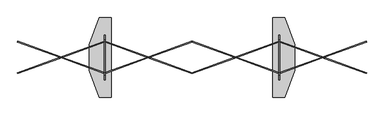
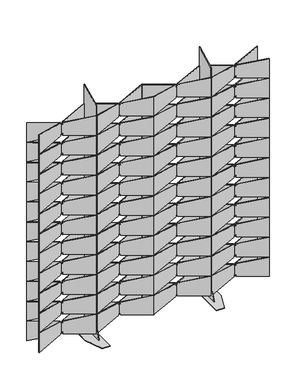
"""IFC4 building model written with IfcOpenShell, lengths in millimetres: furniture geometry."""

from ifc_helpers import new_model, si_unit, frame, origin, origin_with_axes, place, context, project, spatial, polyline, outline, extrude, source, transform, mapped, element, save


def furniture_b942ebe4(model_context):
    return source(origin(), model_context, "Body", "SweptSolid", [
        extrude(outline(polyline([(184.3490858, 1e-07), (0.0, 0.0), (14.9384088, 125.8588708), (194.1655312, 82.7053767), (192.9845263, 72.7551914), (205.5960997, 71.2583017), (206.7771046, 81.2084871), (391.1261904, 81.2084871), (376.1877815, -44.6503837), (196.9606592, -1.4968895), (198.1416469, 8.4531513), (185.5300735, 9.950041), (184.3490858, 1e-07)])), frame((1161.9514932, -12.5010841, 1465.1149512), z_axis=(0.34202014332567426, 0.9396926207859064, 0.0), x_axis=(0.933142677510892, -0.3396361589374431, -0.11786442614301997)), (0.0, 0.0, 1.0), 3.175),
        extrude(outline(polyline([(199.7593649, 129.8344653), (15.4102791, 129.8344652), (30.3486879, 255.693336), (209.5758102, 212.5398419), (208.3948054, 202.5896566), (221.0063788, 201.0927669), (222.1873837, 211.0429523), (406.5364694, 211.0429523), (391.5980606, 85.1840815), (212.3709383, 128.3375757), (213.551926, 138.2876165), (200.9403526, 139.7845062), (199.7593649, 129.8344653)])), frame((1161.9514932, -12.5010841, 1465.1149512), z_axis=(0.34202014332567426, 0.9396926207859064, 0.0), x_axis=(0.933142677510892, -0.3396361589374431, -0.11786442614301997)), (0.0, 0.0, 1.0), 3.175),
        extrude(outline(polyline([(215.1655077, 259.634082), (30.8164219, 259.634082), (45.7548307, 385.4929527), (224.9819531, 342.3394586), (223.8009482, 332.3892734), (236.4125216, 330.8923837), (237.5935265, 340.842569), (421.9426123, 340.842569), (407.0042034, 214.9836983), (227.7770811, 258.1371924), (228.9580688, 268.0872333), (216.3464954, 269.584123), (215.1655077, 259.634082)])), frame((1161.9514932, -12.5010841, 1465.1149512), z_axis=(0.34202014332567426, 0.9396926207859064, 0.0), x_axis=(0.933142677510892, -0.3396361589374431, -0.11786442614301997)), (0.0, 0.0, 1.0), 3.175),
        extrude(outline(polyline([(230.5739019, 389.4526666), (46.2248161, 389.4526666), (61.1632249, 515.3115373), (240.3903472, 472.1580432), (239.2093424, 462.2078579), (251.8209158, 460.7109683), (253.0019207, 470.6611536), (437.3510064, 470.6611535), (422.4125976, 344.8022828), (243.1854753, 387.9557769), (244.366463, 397.9058179), (231.7548896, 399.4027075), (230.5739019, 389.4526666)])), frame((1161.9514932, -12.5010841, 1465.1149512), z_axis=(0.34202014332567426, 0.9396926207859064, 0.0), x_axis=(0.933142677510892, -0.3396361589374431, -0.11786442614301997)), (0.0, 0.0, 1.0), 3.175),
        extrude(outline(polyline([(245.982296, 519.2712511), (61.6332102, 519.2712511), (76.5716191, 645.1301219), (255.7987414, 601.9766278), (254.6177365, 592.0264425), (267.22931, 590.5295529), (268.4103148, 600.4797381), (452.7594006, 600.4797381), (437.8209918, 474.6208674), (258.5938695, 517.7743615), (259.7748572, 527.7244025), (247.1632837, 529.2212921), (245.982296, 519.2712511)])), frame((1161.9514932, -12.5010841, 1465.1149512), z_axis=(0.34202014332567426, 0.9396926207859064, 0.0), x_axis=(0.933142677510892, -0.3396361589374431, -0.11786442614301997)), (0.0, 0.0, 1.0), 3.175),
        extrude(outline(polyline([(261.3906902, 649.0898357), (77.0416044, 649.0898357), (91.9800132, 774.9487064), (271.2071356, 731.7952123), (270.0261307, 721.8450271), (282.6377041, 720.3481374), (283.818709, 730.2983227), (468.1677948, 730.2983227), (453.2293859, 604.439452), (274.0022636, 647.5929461), (275.1832513, 657.542987), (262.5716779, 659.0398767), (261.3906902, 649.0898357)])), frame((1161.9514932, -12.5010841, 1465.1149512), z_axis=(0.34202014332567426, 0.9396926207859064, 0.0), x_axis=(0.933142677510892, -0.3396361589374431, -0.11786442614301997)), (0.0, 0.0, 1.0), 3.175),
        extrude(outline(polyline([(276.7990844, 778.9084203), (92.4499986, 778.9084203), (107.3884074, 904.767291), (286.6155297, 861.6137969), (285.4345249, 851.6636116), (298.0460983, 850.166722), (299.2271031, 860.1169073), (483.5761889, 860.1169073), (468.6377801, 734.2580365), (289.4106578, 777.4115306), (290.5916455, 787.3615716), (277.9800721, 788.8584612), (276.7990844, 778.9084203)])), frame((1161.9514932, -12.5010841, 1465.1149512), z_axis=(0.34202014332567426, 0.9396926207859064, 0.0), x_axis=(0.933142677510892, -0.3396361589374431, -0.11786442614301997)), (0.0, 0.0, 1.0), 3.175),
        extrude(outline(polyline([(292.2074828, 908.7270409), (107.858397, 908.7270409), (122.7968058, 1034.5859116), (302.0239282, 991.4324175), (300.8429233, 981.4822323), (313.4544968, 979.9853426), (314.6355016, 989.9355279), (498.9845874, 989.9355279), (484.0461785, 864.0766572), (304.8190562, 907.2301513), (306.0000439, 917.1801922), (293.3884705, 918.6770819), (292.2074828, 908.7270409)])), frame((1161.9514932, -12.5010841, 1465.1149512), z_axis=(0.34202014332567426, 0.9396926207859064, 0.0), x_axis=(0.933142677510892, -0.3396361589374431, -0.11786442614301997)), (0.0, 0.0, 1.0), 3.175),
        extrude(outline(polyline([(307.615877, 1038.5456255), (123.2667912, 1038.5456255), (138.2052, 1164.4044962), (317.4323223, 1121.2510021), (316.2513175, 1111.3008168), (328.8628909, 1109.8039272), (330.0438958, 1119.7541124), (514.3929815, 1119.7541124), (499.4545727, 993.8952417), (320.2274504, 1037.0487358), (321.4084381, 1046.9987768), (308.7968647, 1048.4956664), (307.615877, 1038.5456255)])), frame((1161.9514932, -12.5010841, 1465.1149512), z_axis=(0.34202014332567426, 0.9396926207859064, 0.0), x_axis=(0.933142677510892, -0.3396361589374431, -0.11786442614301997)), (0.0, 0.0, 1.0), 3.175),
        extrude(outline(polyline([(323.024269, 1168.364192), (138.6751832, 1168.364192), (153.613592, 1294.2230627), (332.8407143, 1251.0695686), (331.6597095, 1241.1193833), (344.2712829, 1239.6224937), (345.4522878, 1249.5726789), (529.8013736, 1249.5726789), (514.8629647, 1123.7138082), (335.6358424, 1166.8673023), (336.8168301, 1176.8173433), (324.2052567, 1178.3142329), (323.024269, 1168.364192)])), frame((1161.9514932, -12.5010841, 1465.1149512), z_axis=(0.34202014332567426, 0.9396926207859064, 0.0), x_axis=(0.933142677510892, -0.3396361589374431, -0.11786442614301997)), (0.0, 0.0, 1.0), 3.175),
        extrude(outline(polyline([(338.4326653, 1298.1827946), (154.0835795, 1298.1827946), (169.0219883, 1424.0416653), (348.2491107, 1380.8881712), (347.0681058, 1370.937986), (359.6796792, 1369.4410963), (360.8606841, 1379.3912816), (545.2097699, 1379.3912816), (530.271361, 1253.5324109), (351.0442387, 1296.685905), (352.2252264, 1306.6359459), (339.613653, 1308.1328356), (338.4326653, 1298.1827946)])), frame((1161.9514932, -12.5010841, 1465.1149512), z_axis=(0.34202014332567426, 0.9396926207859064, 0.0), x_axis=(0.933142677510892, -0.3396361589374431, -0.11786442614301997)), (0.0, 0.0, 1.0), 3.175),
        extrude(outline(polyline([(-184.3490859, -1e-07), (0.0, 0.0), (-14.9384088, -125.8588708), (-194.1655312, -82.7053767), (-192.9845264, -72.7551913), (-205.5960997, -71.2583017), (-206.7771046, -81.2084871), (-391.1261905, -81.2084871), (-376.1877816, 44.6503838), (-196.9606592, 1.4968895), (-198.1416469, -8.4531513), (-185.5300736, -9.950041), (-184.3490859, -1e-07)])), frame((1163.0374071, -142.88244, 1465.1149512), z_axis=(-0.3420201433256682, 0.9396926207859086, 0.0), x_axis=(-0.9331426775108942, -0.3396361589374371, 0.11786442614301997)), (0.0, 0.0, 1.0), 3.175),
        extrude(outline(polyline([(-199.7593649, -129.8344653), (-15.4102791, -129.8344652), (-30.3486879, -255.693336), (-209.5758103, -212.5398419), (-208.3948055, -202.5896565), (-221.0063788, -201.0927669), (-222.1873837, -211.0429523), (-406.5364695, -211.0429523), (-391.5980607, -85.1840814), (-212.3709383, -128.3375757), (-213.551926, -138.2876165), (-200.9403526, -139.7845062), (-199.7593649, -129.8344653)])), frame((1163.0374071, -142.88244, 1465.1149512), z_axis=(-0.3420201433256682, 0.9396926207859086, 0.0), x_axis=(-0.9331426775108942, -0.3396361589374371, 0.11786442614301997)), (0.0, 0.0, 1.0), 3.175),
        extrude(outline(polyline([(-215.1655078, -259.634082), (-30.8164219, -259.634082), (-45.7548307, -385.4929527), (-224.9819531, -342.3394586), (-223.8009483, -332.3892734), (-236.4125216, -330.8923837), (-237.5935265, -340.842569), (-421.9426124, -340.842569), (-407.0042035, -214.9836983), (-227.7770811, -258.1371924), (-228.9580688, -268.0872333), (-216.3464955, -269.584123), (-215.1655078, -259.634082)])), frame((1163.0374071, -142.88244, 1465.1149512), z_axis=(-0.3420201433256682, 0.9396926207859086, 0.0), x_axis=(-0.9331426775108942, -0.3396361589374371, 0.11786442614301997)), (0.0, 0.0, 1.0), 3.175),
        extrude(outline(polyline([(-230.573902, -389.4526666), (-46.2248161, -389.4526666), (-61.1632249, -515.3115373), (-240.3903473, -472.1580432), (-239.2093425, -462.2078579), (-251.8209158, -460.7109683), (-253.0019207, -470.6611536), (-437.3510065, -470.6611535), (-422.4125977, -344.8022828), (-243.1854753, -387.9557769), (-244.366463, -397.9058179), (-231.7548897, -399.4027075), (-230.573902, -389.4526666)])), frame((1163.0374071, -142.88244, 1465.1149512), z_axis=(-0.3420201433256682, 0.9396926207859086, 0.0), x_axis=(-0.9331426775108942, -0.3396361589374371, 0.11786442614301997)), (0.0, 0.0, 1.0), 3.175),
        extrude(outline(polyline([(-245.9822961, -519.2712511), (-61.6332102, -519.2712511), (-76.5716191, -645.1301219), (-255.7987415, -601.9766278), (-254.6177366, -592.0264425), (-267.22931, -590.5295529), (-268.4103148, -600.4797381), (-452.7594007, -600.4797381), (-437.8209919, -474.6208674), (-258.5938695, -517.7743615), (-259.7748572, -527.7244025), (-247.1632838, -529.2212921), (-245.9822961, -519.2712511)])), frame((1163.0374071, -142.88244, 1465.1149512), z_axis=(-0.3420201433256682, 0.9396926207859086, 0.0), x_axis=(-0.9331426775108942, -0.3396361589374371, 0.11786442614301997)), (0.0, 0.0, 1.0), 3.175),
        extrude(outline(polyline([(-261.3906903, -649.0898357), (-77.0416044, -649.0898357), (-91.9800132, -774.9487064), (-271.2071356, -731.7952123), (-270.0261308, -721.8450271), (-282.6377041, -720.3481374), (-283.818709, -730.2983227), (-468.1677949, -730.2983227), (-453.229386, -604.439452), (-274.0022636, -647.5929461), (-275.1832513, -657.542987), (-262.571678, -659.0398767), (-261.3906903, -649.0898357)])), frame((1163.0374071, -142.88244, 1465.1149512), z_axis=(-0.3420201433256682, 0.9396926207859086, 0.0), x_axis=(-0.9331426775108942, -0.3396361589374371, 0.11786442614301997)), (0.0, 0.0, 1.0), 3.175),
        extrude(outline(polyline([(-276.7990844, -778.9084203), (-92.4499986, -778.9084203), (-107.3884074, -904.767291), (-286.6155298, -861.6137969), (-285.434525, -851.6636116), (-298.0460983, -850.166722), (-299.2271031, -860.1169073), (-483.576189, -860.1169072), (-468.6377802, -734.2580365), (-289.4106578, -777.4115306), (-290.5916455, -787.3615716), (-277.9800722, -788.8584612), (-276.7990844, -778.9084203)])), frame((1163.0374071, -142.88244, 1465.1149512), z_axis=(-0.3420201433256682, 0.9396926207859086, 0.0), x_axis=(-0.9331426775108942, -0.3396361589374371, 0.11786442614301997)), (0.0, 0.0, 1.0), 3.175),
        extrude(outline(polyline([(-292.2074829, -908.7270409), (-107.858397, -908.7270409), (-122.7968058, -1034.5859116), (-302.0239283, -991.4324175), (-300.8429234, -981.4822322), (-313.4544968, -979.9853426), (-314.6355016, -989.9355279), (-498.9845875, -989.9355279), (-484.0461786, -864.0766571), (-304.8190562, -907.2301513), (-306.0000439, -917.1801922), (-293.3884706, -918.6770819), (-292.2074829, -908.7270409)])), frame((1163.0374071, -142.88244, 1465.1149512), z_axis=(-0.3420201433256682, 0.9396926207859086, 0.0), x_axis=(-0.9331426775108942, -0.3396361589374371, 0.11786442614301997)), (0.0, 0.0, 1.0), 3.175),
        extrude(outline(polyline([(-307.6158771, -1038.5456255), (-123.2667912, -1038.5456255), (-138.2052, -1164.4044962), (-317.4323224, -1121.2510021), (-316.2513176, -1111.3008168), (-328.8628909, -1109.8039272), (-330.0438958, -1119.7541124), (-514.3929816, -1119.7541124), (-499.4545728, -993.8952417), (-320.2274504, -1037.0487358), (-321.4084381, -1046.9987768), (-308.7968648, -1048.4956664), (-307.6158771, -1038.5456255)])), frame((1163.0374071, -142.88244, 1465.1149512), z_axis=(-0.3420201433256682, 0.9396926207859086, 0.0), x_axis=(-0.9331426775108942, -0.3396361589374371, 0.11786442614301997)), (0.0, 0.0, 1.0), 3.175),
        extrude(outline(polyline([(-323.0242691, -1168.3641919), (-138.6751832, -1168.364192), (-153.613592, -1294.2230627), (-332.8407144, -1251.0695686), (-331.6597096, -1241.1193833), (-344.2712829, -1239.6224937), (-345.4522878, -1249.5726789), (-529.8013736, -1249.5726789), (-514.8629648, -1123.7138082), (-335.6358424, -1166.8673023), (-336.8168301, -1176.8173433), (-324.2052568, -1178.3142329), (-323.0242691, -1168.3641919)])), frame((1163.0374071, -142.88244, 1465.1149512), z_axis=(-0.3420201433256682, 0.9396926207859086, 0.0), x_axis=(-0.9331426775108942, -0.3396361589374371, 0.11786442614301997)), (0.0, 0.0, 1.0), 3.175),
        extrude(outline(polyline([(-338.4326654, -1298.1827946), (-154.0835795, -1298.1827946), (-169.0219883, -1424.0416653), (-348.2491107, -1380.8881712), (-347.0681059, -1370.937986), (-359.6796792, -1369.4410963), (-360.8606841, -1379.3912816), (-545.20977, -1379.3912816), (-530.2713611, -1253.5324109), (-351.0442387, -1296.685905), (-352.2252264, -1306.6359459), (-339.6136531, -1308.1328356), (-338.4326654, -1298.1827946)])), frame((1163.0374071, -142.88244, 1465.1149512), z_axis=(-0.3420201433256682, 0.9396926207859086, 0.0), x_axis=(-0.9331426775108942, -0.3396361589374371, 0.11786442614301997)), (0.0, 0.0, 1.0), 3.175),
        extrude(outline(polyline([(184.3490859, -1e-07), (185.5300736, -9.950041), (198.1416469, -8.4531513), (196.9606592, 1.4968895), (376.1877816, 44.6503838), (391.1261905, -81.2084871), (206.7771046, -81.2084871), (205.5960997, -71.2583017), (192.9845264, -72.7551913), (194.1655312, -82.7053767), (14.9384088, -125.8588708), (0.0, 0.0), (184.3490859, -1e-07)])), frame((1880.3660412, -12.5010841, 1465.1149512), z_axis=(-0.34202014332567426, 0.9396926207859064, 0.0), x_axis=(-0.933142677510892, -0.3396361589374431, -0.11786442614301997)), (0.0, 0.0, 1.0), 3.175),
        extrude(outline(polyline([(199.7593649, -129.8344653), (200.9403526, -139.7845062), (213.551926, -138.2876165), (212.3709383, -128.3375757), (391.5980607, -85.1840814), (406.5364695, -211.0429523), (222.1873837, -211.0429523), (221.0063788, -201.0927669), (208.3948055, -202.5896565), (209.5758103, -212.5398419), (30.3486879, -255.693336), (15.4102791, -129.8344652), (199.7593649, -129.8344653)])), frame((1880.3660412, -12.5010841, 1465.1149512), z_axis=(-0.34202014332567426, 0.9396926207859064, 0.0), x_axis=(-0.933142677510892, -0.3396361589374431, -0.11786442614301997)), (0.0, 0.0, 1.0), 3.175),
        extrude(outline(polyline([(215.1655078, -259.634082), (216.3464955, -269.584123), (228.9580688, -268.0872333), (227.7770811, -258.1371924), (407.0042035, -214.9836983), (421.9426124, -340.842569), (237.5935265, -340.842569), (236.4125216, -330.8923837), (223.8009483, -332.3892734), (224.9819531, -342.3394586), (45.7548307, -385.4929527), (30.8164219, -259.634082), (215.1655078, -259.634082)])), frame((1880.3660412, -12.5010841, 1465.1149512), z_axis=(-0.34202014332567426, 0.9396926207859064, 0.0), x_axis=(-0.933142677510892, -0.3396361589374431, -0.11786442614301997)), (0.0, 0.0, 1.0), 3.175),
        extrude(outline(polyline([(230.573902, -389.4526666), (231.7548897, -399.4027075), (244.366463, -397.9058179), (243.1854753, -387.9557769), (422.4125977, -344.8022828), (437.3510065, -470.6611535), (253.0019207, -470.6611536), (251.8209158, -460.7109683), (239.2093425, -462.2078579), (240.3903473, -472.1580432), (61.1632249, -515.3115373), (46.2248161, -389.4526666), (230.573902, -389.4526666)])), frame((1880.3660412, -12.5010841, 1465.1149512), z_axis=(-0.34202014332567426, 0.9396926207859064, 0.0), x_axis=(-0.933142677510892, -0.3396361589374431, -0.11786442614301997)), (0.0, 0.0, 1.0), 3.175),
        extrude(outline(polyline([(245.9822961, -519.2712511), (247.1632838, -529.2212921), (259.7748572, -527.7244025), (258.5938695, -517.7743615), (437.8209919, -474.6208674), (452.7594007, -600.4797381), (268.4103148, -600.4797381), (267.22931, -590.5295529), (254.6177366, -592.0264425), (255.7987415, -601.9766278), (76.5716191, -645.1301219), (61.6332102, -519.2712511), (245.9822961, -519.2712511)])), frame((1880.3660412, -12.5010841, 1465.1149512), z_axis=(-0.34202014332567426, 0.9396926207859064, 0.0), x_axis=(-0.933142677510892, -0.3396361589374431, -0.11786442614301997)), (0.0, 0.0, 1.0), 3.175),
        extrude(outline(polyline([(261.3906903, -649.0898357), (262.571678, -659.0398767), (275.1832513, -657.542987), (274.0022636, -647.5929461), (453.229386, -604.439452), (468.1677949, -730.2983227), (283.818709, -730.2983227), (282.6377041, -720.3481374), (270.0261308, -721.8450271), (271.2071356, -731.7952123), (91.9800132, -774.9487064), (77.0416044, -649.0898357), (261.3906903, -649.0898357)])), frame((1880.3660412, -12.5010841, 1465.1149512), z_axis=(-0.34202014332567426, 0.9396926207859064, 0.0), x_axis=(-0.933142677510892, -0.3396361589374431, -0.11786442614301997)), (0.0, 0.0, 1.0), 3.175),
        extrude(outline(polyline([(276.7990844, -778.9084203), (277.9800722, -788.8584612), (290.5916455, -787.3615716), (289.4106578, -777.4115306), (468.6377802, -734.2580365), (483.576189, -860.1169072), (299.2271031, -860.1169073), (298.0460983, -850.166722), (285.434525, -851.6636116), (286.6155298, -861.6137969), (107.3884074, -904.767291), (92.4499986, -778.9084203), (276.7990844, -778.9084203)])), frame((1880.3660412, -12.5010841, 1465.1149512), z_axis=(-0.34202014332567426, 0.9396926207859064, 0.0), x_axis=(-0.933142677510892, -0.3396361589374431, -0.11786442614301997)), (0.0, 0.0, 1.0), 3.175),
        extrude(outline(polyline([(292.2074829, -908.7270409), (293.3884706, -918.6770819), (306.0000439, -917.1801922), (304.8190562, -907.2301513), (484.0461786, -864.0766571), (498.9845875, -989.9355279), (314.6355016, -989.9355279), (313.4544968, -979.9853426), (300.8429234, -981.4822322), (302.0239283, -991.4324175), (122.7968058, -1034.5859116), (107.858397, -908.7270409), (292.2074829, -908.7270409)])), frame((1880.3660412, -12.5010841, 1465.1149512), z_axis=(-0.34202014332567426, 0.9396926207859064, 0.0), x_axis=(-0.933142677510892, -0.3396361589374431, -0.11786442614301997)), (0.0, 0.0, 1.0), 3.175),
        extrude(outline(polyline([(307.6158771, -1038.5456255), (308.7968648, -1048.4956664), (321.4084381, -1046.9987768), (320.2274504, -1037.0487358), (499.4545728, -993.8952417), (514.3929816, -1119.7541124), (330.0438958, -1119.7541124), (328.8628909, -1109.8039272), (316.2513176, -1111.3008168), (317.4323224, -1121.2510021), (138.2052, -1164.4044962), (123.2667912, -1038.5456255), (307.6158771, -1038.5456255)])), frame((1880.3660412, -12.5010841, 1465.1149512), z_axis=(-0.34202014332567426, 0.9396926207859064, 0.0), x_axis=(-0.933142677510892, -0.3396361589374431, -0.11786442614301997)), (0.0, 0.0, 1.0), 3.175),
        extrude(outline(polyline([(323.0242691, -1168.3641919), (324.2052568, -1178.3142329), (336.8168301, -1176.8173433), (335.6358424, -1166.8673023), (514.8629648, -1123.7138082), (529.8013736, -1249.5726789), (345.4522878, -1249.5726789), (344.2712829, -1239.6224937), (331.6597096, -1241.1193833), (332.8407144, -1251.0695686), (153.613592, -1294.2230627), (138.6751832, -1168.364192), (323.0242691, -1168.3641919)])), frame((1880.3660412, -12.5010841, 1465.1149512), z_axis=(-0.34202014332567426, 0.9396926207859064, 0.0), x_axis=(-0.933142677510892, -0.3396361589374431, -0.11786442614301997)), (0.0, 0.0, 1.0), 3.175),
        extrude(outline(polyline([(338.4326654, -1298.1827946), (339.6136531, -1308.1328356), (352.2252264, -1306.6359459), (351.0442387, -1296.685905), (530.2713611, -1253.5324109), (545.20977, -1379.3912816), (360.8606841, -1379.3912816), (359.6796792, -1369.4410963), (347.0681059, -1370.937986), (348.2491107, -1380.8881712), (169.0219883, -1424.0416653), (154.0835795, -1298.1827946), (338.4326654, -1298.1827946)])), frame((1880.3660412, -12.5010841, 1465.1149512), z_axis=(-0.34202014332567426, 0.9396926207859064, 0.0), x_axis=(-0.933142677510892, -0.3396361589374431, -0.11786442614301997)), (0.0, 0.0, 1.0), 3.175),
        extrude(outline(polyline([(-184.3490858, 1e-07), (-185.5300735, 9.950041), (-198.1416469, 8.4531513), (-196.9606592, -1.4968895), (-376.1877815, -44.6503837), (-391.1261904, 81.2084871), (-206.7771046, 81.2084871), (-205.5960997, 71.2583017), (-192.9845263, 72.7551914), (-194.1655312, 82.7053767), (-14.9384088, 125.8588708), (0.0, 0.0), (-184.3490858, 1e-07)])), frame((1879.2801272, -142.88244, 1465.1149512), z_axis=(0.3420201433256682, 0.9396926207859086, 0.0), x_axis=(0.9331426775108942, -0.3396361589374371, 0.11786442614301997)), (0.0, 0.0, 1.0), 3.175),
        extrude(outline(polyline([(-199.7593649, 129.8344653), (-200.9403526, 139.7845062), (-213.551926, 138.2876165), (-212.3709383, 128.3375757), (-391.5980606, 85.1840815), (-406.5364694, 211.0429523), (-222.1873837, 211.0429523), (-221.0063788, 201.0927669), (-208.3948054, 202.5896566), (-209.5758102, 212.5398419), (-30.3486879, 255.693336), (-15.4102791, 129.8344652), (-199.7593649, 129.8344653)])), frame((1879.2801272, -142.88244, 1465.1149512), z_axis=(0.3420201433256682, 0.9396926207859086, 0.0), x_axis=(0.9331426775108942, -0.3396361589374371, 0.11786442614301997)), (0.0, 0.0, 1.0), 3.175),
        extrude(outline(polyline([(-215.1655077, 259.634082), (-216.3464954, 269.584123), (-228.9580688, 268.0872333), (-227.7770811, 258.1371924), (-407.0042034, 214.9836983), (-421.9426123, 340.842569), (-237.5935265, 340.842569), (-236.4125216, 330.8923837), (-223.8009482, 332.3892734), (-224.9819531, 342.3394586), (-45.7548307, 385.4929527), (-30.8164219, 259.634082), (-215.1655077, 259.634082)])), frame((1879.2801272, -142.88244, 1465.1149512), z_axis=(0.3420201433256682, 0.9396926207859086, 0.0), x_axis=(0.9331426775108942, -0.3396361589374371, 0.11786442614301997)), (0.0, 0.0, 1.0), 3.175),
        extrude(outline(polyline([(-230.5739019, 389.4526666), (-231.7548896, 399.4027075), (-244.366463, 397.9058179), (-243.1854753, 387.9557769), (-422.4125976, 344.8022828), (-437.3510064, 470.6611535), (-253.0019207, 470.6611536), (-251.8209158, 460.7109683), (-239.2093424, 462.2078579), (-240.3903472, 472.1580432), (-61.1632249, 515.3115373), (-46.2248161, 389.4526666), (-230.5739019, 389.4526666)])), frame((1879.2801272, -142.88244, 1465.1149512), z_axis=(0.3420201433256682, 0.9396926207859086, 0.0), x_axis=(0.9331426775108942, -0.3396361589374371, 0.11786442614301997)), (0.0, 0.0, 1.0), 3.175),
        extrude(outline(polyline([(-245.982296, 519.2712511), (-247.1632837, 529.2212921), (-259.7748572, 527.7244025), (-258.5938695, 517.7743615), (-437.8209918, 474.6208674), (-452.7594006, 600.4797381), (-268.4103148, 600.4797381), (-267.22931, 590.5295529), (-254.6177365, 592.0264425), (-255.7987414, 601.9766278), (-76.5716191, 645.1301219), (-61.6332102, 519.2712511), (-245.982296, 519.2712511)])), frame((1879.2801272, -142.88244, 1465.1149512), z_axis=(0.3420201433256682, 0.9396926207859086, 0.0), x_axis=(0.9331426775108942, -0.3396361589374371, 0.11786442614301997)), (0.0, 0.0, 1.0), 3.175),
        extrude(outline(polyline([(-261.3906902, 649.0898357), (-262.5716779, 659.0398767), (-275.1832513, 657.542987), (-274.0022636, 647.5929461), (-453.2293859, 604.439452), (-468.1677948, 730.2983227), (-283.818709, 730.2983227), (-282.6377041, 720.3481374), (-270.0261307, 721.8450271), (-271.2071356, 731.7952123), (-91.9800132, 774.9487064), (-77.0416044, 649.0898357), (-261.3906902, 649.0898357)])), frame((1879.2801272, -142.88244, 1465.1149512), z_axis=(0.3420201433256682, 0.9396926207859086, 0.0), x_axis=(0.9331426775108942, -0.3396361589374371, 0.11786442614301997)), (0.0, 0.0, 1.0), 3.175),
        extrude(outline(polyline([(-276.7990844, 778.9084203), (-277.9800721, 788.8584612), (-290.5916455, 787.3615716), (-289.4106578, 777.4115306), (-468.6377801, 734.2580365), (-483.5761889, 860.1169073), (-299.2271031, 860.1169073), (-298.0460983, 850.166722), (-285.4345249, 851.6636116), (-286.6155297, 861.6137969), (-107.3884074, 904.767291), (-92.4499986, 778.9084203), (-276.7990844, 778.9084203)])), frame((1879.2801272, -142.88244, 1465.1149512), z_axis=(0.3420201433256682, 0.9396926207859086, 0.0), x_axis=(0.9331426775108942, -0.3396361589374371, 0.11786442614301997)), (0.0, 0.0, 1.0), 3.175),
        extrude(outline(polyline([(-292.2074828, 908.7270409), (-293.3884705, 918.6770819), (-306.0000439, 917.1801922), (-304.8190562, 907.2301513), (-484.0461785, 864.0766572), (-498.9845874, 989.9355279), (-314.6355016, 989.9355279), (-313.4544968, 979.9853426), (-300.8429233, 981.4822323), (-302.0239282, 991.4324175), (-122.7968058, 1034.5859116), (-107.858397, 908.7270409), (-292.2074828, 908.7270409)])), frame((1879.2801272, -142.88244, 1465.1149512), z_axis=(0.3420201433256682, 0.9396926207859086, 0.0), x_axis=(0.9331426775108942, -0.3396361589374371, 0.11786442614301997)), (0.0, 0.0, 1.0), 3.175),
        extrude(outline(polyline([(-307.615877, 1038.5456255), (-308.7968647, 1048.4956664), (-321.4084381, 1046.9987768), (-320.2274504, 1037.0487358), (-499.4545727, 993.8952417), (-514.3929815, 1119.7541124), (-330.0438958, 1119.7541124), (-328.8628909, 1109.8039272), (-316.2513175, 1111.3008168), (-317.4323223, 1121.2510021), (-138.2052, 1164.4044962), (-123.2667912, 1038.5456255), (-307.615877, 1038.5456255)])), frame((1879.2801272, -142.88244, 1465.1149512), z_axis=(0.3420201433256682, 0.9396926207859086, 0.0), x_axis=(0.9331426775108942, -0.3396361589374371, 0.11786442614301997)), (0.0, 0.0, 1.0), 3.175),
        extrude(outline(polyline([(-323.024269, 1168.364192), (-324.2052567, 1178.3142329), (-336.8168301, 1176.8173433), (-335.6358424, 1166.8673023), (-514.8629647, 1123.7138082), (-529.8013736, 1249.5726789), (-345.4522878, 1249.5726789), (-344.2712829, 1239.6224937), (-331.6597095, 1241.1193833), (-332.8407143, 1251.0695686), (-153.613592, 1294.2230627), (-138.6751832, 1168.364192), (-323.024269, 1168.364192)])), frame((1879.2801272, -142.88244, 1465.1149512), z_axis=(0.3420201433256682, 0.9396926207859086, 0.0), x_axis=(0.9331426775108942, -0.3396361589374371, 0.11786442614301997)), (0.0, 0.0, 1.0), 3.175),
        extrude(outline(polyline([(-338.4326653, 1298.1827946), (-339.613653, 1308.1328356), (-352.2252264, 1306.6359459), (-351.0442387, 1296.685905), (-530.271361, 1253.5324109), (-545.2097699, 1379.3912816), (-360.8606841, 1379.3912816), (-359.6796792, 1369.4410963), (-347.0681058, 1370.937986), (-348.2491107, 1380.8881712), (-169.0219883, 1424.0416653), (-154.0835795, 1298.1827946), (-338.4326653, 1298.1827946)])), frame((1879.2801272, -142.88244, 1465.1149512), z_axis=(0.3420201433256682, 0.9396926207859086, 0.0), x_axis=(0.9331426775108942, -0.3396361589374371, 0.11786442614301997)), (0.0, 0.0, 1.0), 3.175),
        extrude(outline(polyline([(184.3490858, -1e-07), (185.5300735, -9.950041), (198.1416469, -8.4531513), (196.9606592, 1.4968895), (376.1877815, 44.6503837), (391.1261904, -81.2084871), (206.7771046, -81.2084871), (205.5960997, -71.2583017), (192.9845263, -72.7551914), (194.1655312, -82.7053767), (14.9384088, -125.8588708), (0.0, 0.0), (184.3490858, -1e-07)])), frame((1162.1485068, -12.5010841, 1465.1149512), z_axis=(-0.34202014332567426, 0.9396926207859064, 0.0), x_axis=(-0.933142677510892, -0.3396361589374431, -0.11786442614301997)), (0.0, 0.0, 1.0), 3.175),
        extrude(outline(polyline([(199.7593649, -129.8344653), (200.9403526, -139.7845062), (213.551926, -138.2876165), (212.3709383, -128.3375757), (391.5980606, -85.1840815), (406.5364694, -211.0429523), (222.1873837, -211.0429523), (221.0063788, -201.0927669), (208.3948054, -202.5896566), (209.5758102, -212.5398419), (30.3486879, -255.693336), (15.4102791, -129.8344652), (199.7593649, -129.8344653)])), frame((1162.1485068, -12.5010841, 1465.1149512), z_axis=(-0.34202014332567426, 0.9396926207859064, 0.0), x_axis=(-0.933142677510892, -0.3396361589374431, -0.11786442614301997)), (0.0, 0.0, 1.0), 3.175),
        extrude(outline(polyline([(215.1655077, -259.634082), (216.3464954, -269.584123), (228.9580688, -268.0872333), (227.7770811, -258.1371924), (407.0042034, -214.9836983), (421.9426123, -340.842569), (237.5935265, -340.842569), (236.4125216, -330.8923837), (223.8009482, -332.3892734), (224.9819531, -342.3394586), (45.7548307, -385.4929527), (30.8164219, -259.634082), (215.1655077, -259.634082)])), frame((1162.1485068, -12.5010841, 1465.1149512), z_axis=(-0.34202014332567426, 0.9396926207859064, 0.0), x_axis=(-0.933142677510892, -0.3396361589374431, -0.11786442614301997)), (0.0, 0.0, 1.0), 3.175),
        extrude(outline(polyline([(230.5739019, -389.4526666), (231.7548896, -399.4027075), (244.366463, -397.9058179), (243.1854753, -387.9557769), (422.4125976, -344.8022828), (437.3510064, -470.6611535), (253.0019207, -470.6611536), (251.8209158, -460.7109683), (239.2093424, -462.2078579), (240.3903472, -472.1580432), (61.1632249, -515.3115373), (46.2248161, -389.4526666), (230.5739019, -389.4526666)])), frame((1162.1485068, -12.5010841, 1465.1149512), z_axis=(-0.34202014332567426, 0.9396926207859064, 0.0), x_axis=(-0.933142677510892, -0.3396361589374431, -0.11786442614301997)), (0.0, 0.0, 1.0), 3.175),
        extrude(outline(polyline([(245.982296, -519.2712511), (247.1632837, -529.2212921), (259.7748572, -527.7244025), (258.5938695, -517.7743615), (437.8209918, -474.6208674), (452.7594006, -600.4797381), (268.4103148, -600.4797381), (267.22931, -590.5295529), (254.6177365, -592.0264425), (255.7987414, -601.9766278), (76.5716191, -645.1301219), (61.6332102, -519.2712511), (245.982296, -519.2712511)])), frame((1162.1485068, -12.5010841, 1465.1149512), z_axis=(-0.34202014332567426, 0.9396926207859064, 0.0), x_axis=(-0.933142677510892, -0.3396361589374431, -0.11786442614301997)), (0.0, 0.0, 1.0), 3.175),
        extrude(outline(polyline([(261.3906902, -649.0898357), (262.5716779, -659.0398767), (275.1832513, -657.542987), (274.0022636, -647.5929461), (453.2293859, -604.439452), (468.1677948, -730.2983227), (283.818709, -730.2983227), (282.6377041, -720.3481374), (270.0261307, -721.8450271), (271.2071356, -731.7952123), (91.9800132, -774.9487064), (77.0416044, -649.0898357), (261.3906902, -649.0898357)])), frame((1162.1485068, -12.5010841, 1465.1149512), z_axis=(-0.34202014332567426, 0.9396926207859064, 0.0), x_axis=(-0.933142677510892, -0.3396361589374431, -0.11786442614301997)), (0.0, 0.0, 1.0), 3.175),
        extrude(outline(polyline([(276.7990844, -778.9084203), (277.9800721, -788.8584612), (290.5916455, -787.3615716), (289.4106578, -777.4115306), (468.6377801, -734.2580365), (483.5761889, -860.1169073), (299.2271031, -860.1169073), (298.0460983, -850.166722), (285.4345249, -851.6636116), (286.6155297, -861.6137969), (107.3884074, -904.767291), (92.4499986, -778.9084203), (276.7990844, -778.9084203)])), frame((1162.1485068, -12.5010841, 1465.1149512), z_axis=(-0.34202014332567426, 0.9396926207859064, 0.0), x_axis=(-0.933142677510892, -0.3396361589374431, -0.11786442614301997)), (0.0, 0.0, 1.0), 3.175),
        extrude(outline(polyline([(292.2074828, -908.7270409), (293.3884705, -918.6770819), (306.0000439, -917.1801922), (304.8190562, -907.2301513), (484.0461785, -864.0766572), (498.9845874, -989.9355279), (314.6355016, -989.9355279), (313.4544968, -979.9853426), (300.8429233, -981.4822323), (302.0239282, -991.4324175), (122.7968058, -1034.5859116), (107.858397, -908.7270409), (292.2074828, -908.7270409)])), frame((1162.1485068, -12.5010841, 1465.1149512), z_axis=(-0.34202014332567426, 0.9396926207859064, 0.0), x_axis=(-0.933142677510892, -0.3396361589374431, -0.11786442614301997)), (0.0, 0.0, 1.0), 3.175),
        extrude(outline(polyline([(307.615877, -1038.5456255), (308.7968647, -1048.4956664), (321.4084381, -1046.9987768), (320.2274504, -1037.0487358), (499.4545727, -993.8952417), (514.3929815, -1119.7541124), (330.0438958, -1119.7541124), (328.8628909, -1109.8039272), (316.2513175, -1111.3008168), (317.4323223, -1121.2510021), (138.2052, -1164.4044962), (123.2667912, -1038.5456255), (307.615877, -1038.5456255)])), frame((1162.1485068, -12.5010841, 1465.1149512), z_axis=(-0.34202014332567426, 0.9396926207859064, 0.0), x_axis=(-0.933142677510892, -0.3396361589374431, -0.11786442614301997)), (0.0, 0.0, 1.0), 3.175),
        extrude(outline(polyline([(323.024269, -1168.364192), (324.2052567, -1178.3142329), (336.8168301, -1176.8173433), (335.6358424, -1166.8673023), (514.8629647, -1123.7138082), (529.8013736, -1249.5726789), (345.4522878, -1249.5726789), (344.2712829, -1239.6224937), (331.6597095, -1241.1193833), (332.8407143, -1251.0695686), (153.613592, -1294.2230627), (138.6751832, -1168.364192), (323.024269, -1168.364192)])), frame((1162.1485068, -12.5010841, 1465.1149512), z_axis=(-0.34202014332567426, 0.9396926207859064, 0.0), x_axis=(-0.933142677510892, -0.3396361589374431, -0.11786442614301997)), (0.0, 0.0, 1.0), 3.175),
        extrude(outline(polyline([(338.4326653, -1298.1827946), (339.613653, -1308.1328356), (352.2252264, -1306.6359459), (351.0442387, -1296.685905), (530.271361, -1253.5324109), (545.2097699, -1379.3912816), (360.8606841, -1379.3912816), (359.6796792, -1369.4410963), (347.0681058, -1370.937986), (348.2491107, -1380.8881712), (169.0219883, -1424.0416653), (154.0835795, -1298.1827946), (338.4326653, -1298.1827946)])), frame((1162.1485068, -12.5010841, 1465.1149512), z_axis=(-0.34202014332567426, 0.9396926207859064, 0.0), x_axis=(-0.933142677510892, -0.3396361589374431, -0.11786442614301997)), (0.0, 0.0, 1.0), 3.175),
        extrude(outline(polyline([(-184.3490859, 1e-07), (-185.5300736, 9.950041), (-198.1416469, 8.4531513), (-196.9606592, -1.4968895), (-376.1877816, -44.6503838), (-391.1261905, 81.2084871), (-206.7771046, 81.2084871), (-205.5960997, 71.2583017), (-192.9845264, 72.7551913), (-194.1655312, 82.7053767), (-14.9384088, 125.8588708), (0.0, 0.0), (-184.3490859, 1e-07)])), frame((1161.0625929, -142.88244, 1465.1149512), z_axis=(0.3420201433256682, 0.9396926207859086, 0.0), x_axis=(0.9331426775108942, -0.3396361589374371, 0.11786442614301997)), (0.0, 0.0, 1.0), 3.175),
        extrude(outline(polyline([(-199.7593649, 129.8344653), (-200.9403526, 139.7845062), (-213.551926, 138.2876165), (-212.3709383, 128.3375757), (-391.5980607, 85.1840814), (-406.5364695, 211.0429523), (-222.1873837, 211.0429523), (-221.0063788, 201.0927669), (-208.3948055, 202.5896565), (-209.5758103, 212.5398419), (-30.3486879, 255.693336), (-15.4102791, 129.8344652), (-199.7593649, 129.8344653)])), frame((1161.0625929, -142.88244, 1465.1149512), z_axis=(0.3420201433256682, 0.9396926207859086, 0.0), x_axis=(0.9331426775108942, -0.3396361589374371, 0.11786442614301997)), (0.0, 0.0, 1.0), 3.175),
        extrude(outline(polyline([(-215.1655078, 259.634082), (-216.3464955, 269.584123), (-228.9580688, 268.0872333), (-227.7770811, 258.1371924), (-407.0042035, 214.9836983), (-421.9426124, 340.842569), (-237.5935265, 340.842569), (-236.4125216, 330.8923837), (-223.8009483, 332.3892734), (-224.9819531, 342.3394586), (-45.7548307, 385.4929527), (-30.8164219, 259.634082), (-215.1655078, 259.634082)])), frame((1161.0625929, -142.88244, 1465.1149512), z_axis=(0.3420201433256682, 0.9396926207859086, 0.0), x_axis=(0.9331426775108942, -0.3396361589374371, 0.11786442614301997)), (0.0, 0.0, 1.0), 3.175),
        extrude(outline(polyline([(-230.573902, 389.4526666), (-231.7548897, 399.4027075), (-244.366463, 397.9058179), (-243.1854753, 387.9557769), (-422.4125977, 344.8022828), (-437.3510065, 470.6611535), (-253.0019207, 470.6611536), (-251.8209158, 460.7109683), (-239.2093425, 462.2078579), (-240.3903473, 472.1580432), (-61.1632249, 515.3115373), (-46.2248161, 389.4526666), (-230.573902, 389.4526666)])), frame((1161.0625929, -142.88244, 1465.1149512), z_axis=(0.3420201433256682, 0.9396926207859086, 0.0), x_axis=(0.9331426775108942, -0.3396361589374371, 0.11786442614301997)), (0.0, 0.0, 1.0), 3.175),
        extrude(outline(polyline([(-245.9822961, 519.2712511), (-247.1632838, 529.2212921), (-259.7748572, 527.7244025), (-258.5938695, 517.7743615), (-437.8209919, 474.6208674), (-452.7594007, 600.4797381), (-268.4103148, 600.4797381), (-267.22931, 590.5295529), (-254.6177366, 592.0264425), (-255.7987415, 601.9766278), (-76.5716191, 645.1301219), (-61.6332102, 519.2712511), (-245.9822961, 519.2712511)])), frame((1161.0625929, -142.88244, 1465.1149512), z_axis=(0.3420201433256682, 0.9396926207859086, 0.0), x_axis=(0.9331426775108942, -0.3396361589374371, 0.11786442614301997)), (0.0, 0.0, 1.0), 3.175),
        extrude(outline(polyline([(-261.3906903, 649.0898357), (-262.571678, 659.0398767), (-275.1832513, 657.542987), (-274.0022636, 647.5929461), (-453.229386, 604.439452), (-468.1677949, 730.2983227), (-283.818709, 730.2983227), (-282.6377041, 720.3481374), (-270.0261308, 721.8450271), (-271.2071356, 731.7952123), (-91.9800132, 774.9487064), (-77.0416044, 649.0898357), (-261.3906903, 649.0898357)])), frame((1161.0625929, -142.88244, 1465.1149512), z_axis=(0.3420201433256682, 0.9396926207859086, 0.0), x_axis=(0.9331426775108942, -0.3396361589374371, 0.11786442614301997)), (0.0, 0.0, 1.0), 3.175),
        extrude(outline(polyline([(-276.7990844, 778.9084203), (-277.9800722, 788.8584612), (-290.5916455, 787.3615716), (-289.4106578, 777.4115306), (-468.6377802, 734.2580365), (-483.576189, 860.1169072), (-299.2271031, 860.1169073), (-298.0460983, 850.166722), (-285.434525, 851.6636116), (-286.6155298, 861.6137969), (-107.3884074, 904.767291), (-92.4499986, 778.9084203), (-276.7990844, 778.9084203)])), frame((1161.0625929, -142.88244, 1465.1149512), z_axis=(0.3420201433256682, 0.9396926207859086, 0.0), x_axis=(0.9331426775108942, -0.3396361589374371, 0.11786442614301997)), (0.0, 0.0, 1.0), 3.175),
        extrude(outline(polyline([(-292.2074829, 908.7270409), (-293.3884706, 918.6770819), (-306.0000439, 917.1801922), (-304.8190562, 907.2301513), (-484.0461786, 864.0766571), (-498.9845875, 989.9355279), (-314.6355016, 989.9355279), (-313.4544968, 979.9853426), (-300.8429234, 981.4822322), (-302.0239283, 991.4324175), (-122.7968058, 1034.5859116), (-107.858397, 908.7270409), (-292.2074829, 908.7270409)])), frame((1161.0625929, -142.88244, 1465.1149512), z_axis=(0.3420201433256682, 0.9396926207859086, 0.0), x_axis=(0.9331426775108942, -0.3396361589374371, 0.11786442614301997)), (0.0, 0.0, 1.0), 3.175),
        extrude(outline(polyline([(-307.6158771, 1038.5456255), (-308.7968648, 1048.4956664), (-321.4084381, 1046.9987768), (-320.2274504, 1037.0487358), (-499.4545728, 993.8952417), (-514.3929816, 1119.7541124), (-330.0438958, 1119.7541124), (-328.8628909, 1109.8039272), (-316.2513176, 1111.3008168), (-317.4323224, 1121.2510021), (-138.2052, 1164.4044962), (-123.2667912, 1038.5456255), (-307.6158771, 1038.5456255)])), frame((1161.0625929, -142.88244, 1465.1149512), z_axis=(0.3420201433256682, 0.9396926207859086, 0.0), x_axis=(0.9331426775108942, -0.3396361589374371, 0.11786442614301997)), (0.0, 0.0, 1.0), 3.175),
        extrude(outline(polyline([(-323.0242691, 1168.3641919), (-324.2052568, 1178.3142329), (-336.8168301, 1176.8173433), (-335.6358424, 1166.8673023), (-514.8629648, 1123.7138082), (-529.8013736, 1249.5726789), (-345.4522878, 1249.5726789), (-344.2712829, 1239.6224937), (-331.6597096, 1241.1193833), (-332.8407144, 1251.0695686), (-153.613592, 1294.2230627), (-138.6751832, 1168.364192), (-323.0242691, 1168.3641919)])), frame((1161.0625929, -142.88244, 1465.1149512), z_axis=(0.3420201433256682, 0.9396926207859086, 0.0), x_axis=(0.9331426775108942, -0.3396361589374371, 0.11786442614301997)), (0.0, 0.0, 1.0), 3.175),
        extrude(outline(polyline([(-338.4326654, 1298.1827946), (-339.6136531, 1308.1328356), (-352.2252264, 1306.6359459), (-351.0442387, 1296.685905), (-530.2713611, 1253.5324109), (-545.20977, 1379.3912816), (-360.8606841, 1379.3912816), (-359.6796792, 1369.4410963), (-347.0681059, 1370.937986), (-348.2491107, 1380.8881712), (-169.0219883, 1424.0416653), (-154.0835795, 1298.1827946), (-338.4326654, 1298.1827946)])), frame((1161.0625929, -142.88244, 1465.1149512), z_axis=(0.3420201433256682, 0.9396926207859086, 0.0), x_axis=(0.9331426775108942, -0.3396361589374371, 0.11786442614301997)), (0.0, 0.0, 1.0), 3.175),
        extrude(outline(polyline([(184.3490859, 1e-07), (0.0, 0.0), (14.9384088, 125.8588708), (194.1655312, 82.7053767), (192.9845264, 72.7551913), (205.5960997, 71.2583017), (206.7771046, 81.2084871), (391.1261905, 81.2084871), (376.1877816, -44.6503838), (196.9606592, -1.4968895), (198.1416469, 8.4531513), (185.5300736, 9.950041), (184.3490859, 1e-07)])), frame((443.7339588, -12.5010841, 1465.1149512), z_axis=(0.34202014332567426, 0.9396926207859064, 0.0), x_axis=(0.933142677510892, -0.3396361589374431, -0.11786442614301997)), (0.0, 0.0, 1.0), 3.175),
        extrude(outline(polyline([(199.7593649, 129.8344653), (15.4102791, 129.8344652), (30.3486879, 255.693336), (209.5758103, 212.5398419), (208.3948055, 202.5896565), (221.0063788, 201.0927669), (222.1873837, 211.0429523), (406.5364695, 211.0429523), (391.5980607, 85.1840814), (212.3709383, 128.3375757), (213.551926, 138.2876165), (200.9403526, 139.7845062), (199.7593649, 129.8344653)])), frame((443.7339588, -12.5010841, 1465.1149512), z_axis=(0.34202014332567426, 0.9396926207859064, 0.0), x_axis=(0.933142677510892, -0.3396361589374431, -0.11786442614301997)), (0.0, 0.0, 1.0), 3.175),
        extrude(outline(polyline([(215.1655078, 259.634082), (30.8164219, 259.634082), (45.7548307, 385.4929527), (224.9819531, 342.3394586), (223.8009483, 332.3892734), (236.4125216, 330.8923837), (237.5935265, 340.842569), (421.9426124, 340.842569), (407.0042035, 214.9836983), (227.7770811, 258.1371924), (228.9580688, 268.0872333), (216.3464955, 269.584123), (215.1655078, 259.634082)])), frame((443.7339588, -12.5010841, 1465.1149512), z_axis=(0.34202014332567426, 0.9396926207859064, 0.0), x_axis=(0.933142677510892, -0.3396361589374431, -0.11786442614301997)), (0.0, 0.0, 1.0), 3.175),
        extrude(outline(polyline([(230.573902, 389.4526666), (46.2248161, 389.4526666), (61.1632249, 515.3115373), (240.3903473, 472.1580432), (239.2093425, 462.2078579), (251.8209158, 460.7109683), (253.0019207, 470.6611536), (437.3510065, 470.6611535), (422.4125977, 344.8022828), (243.1854753, 387.9557769), (244.366463, 397.9058179), (231.7548897, 399.4027075), (230.573902, 389.4526666)])), frame((443.7339588, -12.5010841, 1465.1149512), z_axis=(0.34202014332567426, 0.9396926207859064, 0.0), x_axis=(0.933142677510892, -0.3396361589374431, -0.11786442614301997)), (0.0, 0.0, 1.0), 3.175),
        extrude(outline(polyline([(245.9822961, 519.2712511), (61.6332102, 519.2712511), (76.5716191, 645.1301219), (255.7987415, 601.9766278), (254.6177366, 592.0264425), (267.22931, 590.5295529), (268.4103148, 600.4797381), (452.7594007, 600.4797381), (437.8209919, 474.6208674), (258.5938695, 517.7743615), (259.7748572, 527.7244025), (247.1632838, 529.2212921), (245.9822961, 519.2712511)])), frame((443.7339588, -12.5010841, 1465.1149512), z_axis=(0.34202014332567426, 0.9396926207859064, 0.0), x_axis=(0.933142677510892, -0.3396361589374431, -0.11786442614301997)), (0.0, 0.0, 1.0), 3.175),
        extrude(outline(polyline([(261.3906903, 649.0898357), (77.0416044, 649.0898357), (91.9800132, 774.9487064), (271.2071356, 731.7952123), (270.0261308, 721.8450271), (282.6377041, 720.3481374), (283.818709, 730.2983227), (468.1677949, 730.2983227), (453.229386, 604.439452), (274.0022636, 647.5929461), (275.1832513, 657.542987), (262.571678, 659.0398767), (261.3906903, 649.0898357)])), frame((443.7339588, -12.5010841, 1465.1149512), z_axis=(0.34202014332567426, 0.9396926207859064, 0.0), x_axis=(0.933142677510892, -0.3396361589374431, -0.11786442614301997)), (0.0, 0.0, 1.0), 3.175),
        extrude(outline(polyline([(276.7990844, 778.9084203), (92.4499986, 778.9084203), (107.3884074, 904.767291), (286.6155298, 861.6137969), (285.434525, 851.6636116), (298.0460983, 850.166722), (299.2271031, 860.1169073), (483.576189, 860.1169072), (468.6377802, 734.2580365), (289.4106578, 777.4115306), (290.5916455, 787.3615716), (277.9800722, 788.8584612), (276.7990844, 778.9084203)])), frame((443.7339588, -12.5010841, 1465.1149512), z_axis=(0.34202014332567426, 0.9396926207859064, 0.0), x_axis=(0.933142677510892, -0.3396361589374431, -0.11786442614301997)), (0.0, 0.0, 1.0), 3.175),
        extrude(outline(polyline([(292.2074829, 908.7270409), (107.858397, 908.7270409), (122.7968058, 1034.5859116), (302.0239283, 991.4324175), (300.8429234, 981.4822322), (313.4544968, 979.9853426), (314.6355016, 989.9355279), (498.9845875, 989.9355279), (484.0461786, 864.0766571), (304.8190562, 907.2301513), (306.0000439, 917.1801922), (293.3884706, 918.6770819), (292.2074829, 908.7270409)])), frame((443.7339588, -12.5010841, 1465.1149512), z_axis=(0.34202014332567426, 0.9396926207859064, 0.0), x_axis=(0.933142677510892, -0.3396361589374431, -0.11786442614301997)), (0.0, 0.0, 1.0), 3.175),
        extrude(outline(polyline([(307.6158771, 1038.5456255), (123.2667912, 1038.5456255), (138.2052, 1164.4044962), (317.4323224, 1121.2510021), (316.2513176, 1111.3008168), (328.8628909, 1109.8039272), (330.0438958, 1119.7541124), (514.3929816, 1119.7541124), (499.4545728, 993.8952417), (320.2274504, 1037.0487358), (321.4084381, 1046.9987768), (308.7968648, 1048.4956664), (307.6158771, 1038.5456255)])), frame((443.7339588, -12.5010841, 1465.1149512), z_axis=(0.34202014332567426, 0.9396926207859064, 0.0), x_axis=(0.933142677510892, -0.3396361589374431, -0.11786442614301997)), (0.0, 0.0, 1.0), 3.175),
        extrude(outline(polyline([(323.0242691, 1168.3641919), (138.6751832, 1168.364192), (153.613592, 1294.2230627), (332.8407144, 1251.0695686), (331.6597096, 1241.1193833), (344.2712829, 1239.6224937), (345.4522878, 1249.5726789), (529.8013736, 1249.5726789), (514.8629648, 1123.7138082), (335.6358424, 1166.8673023), (336.8168301, 1176.8173433), (324.2052568, 1178.3142329), (323.0242691, 1168.3641919)])), frame((443.7339588, -12.5010841, 1465.1149512), z_axis=(0.34202014332567426, 0.9396926207859064, 0.0), x_axis=(0.933142677510892, -0.3396361589374431, -0.11786442614301997)), (0.0, 0.0, 1.0), 3.175),
        extrude(outline(polyline([(338.4326654, 1298.1827946), (154.0835795, 1298.1827946), (169.0219883, 1424.0416653), (348.2491107, 1380.8881712), (347.0681059, 1370.937986), (359.6796792, 1369.4410963), (360.8606841, 1379.3912816), (545.20977, 1379.3912816), (530.2713611, 1253.5324109), (351.0442387, 1296.685905), (352.2252264, 1306.6359459), (339.6136531, 1308.1328356), (338.4326654, 1298.1827946)])), frame((443.7339588, -12.5010841, 1465.1149512), z_axis=(0.34202014332567426, 0.9396926207859064, 0.0), x_axis=(0.933142677510892, -0.3396361589374431, -0.11786442614301997)), (0.0, 0.0, 1.0), 3.175),
        extrude(outline(polyline([(-184.3490858, -1e-07), (0.0, 0.0), (-14.9384088, -125.8588708), (-194.1655312, -82.7053767), (-192.9845263, -72.7551914), (-205.5960997, -71.2583017), (-206.7771046, -81.2084871), (-391.1261904, -81.2084871), (-376.1877815, 44.6503837), (-196.9606592, 1.4968895), (-198.1416469, -8.4531513), (-185.5300735, -9.950041), (-184.3490858, -1e-07)])), frame((444.8198728, -142.88244, 1465.1149512), z_axis=(-0.3420201433256682, 0.9396926207859086, 0.0), x_axis=(-0.9331426775108942, -0.3396361589374371, 0.11786442614301997)), (0.0, 0.0, 1.0), 3.175),
        extrude(outline(polyline([(-199.7593649, -129.8344653), (-15.4102791, -129.8344652), (-30.3486879, -255.693336), (-209.5758102, -212.5398419), (-208.3948054, -202.5896566), (-221.0063788, -201.0927669), (-222.1873837, -211.0429523), (-406.5364694, -211.0429523), (-391.5980606, -85.1840815), (-212.3709383, -128.3375757), (-213.551926, -138.2876165), (-200.9403526, -139.7845062), (-199.7593649, -129.8344653)])), frame((444.8198728, -142.88244, 1465.1149512), z_axis=(-0.3420201433256682, 0.9396926207859086, 0.0), x_axis=(-0.9331426775108942, -0.3396361589374371, 0.11786442614301997)), (0.0, 0.0, 1.0), 3.175),
        extrude(outline(polyline([(-215.1655077, -259.634082), (-30.8164219, -259.634082), (-45.7548307, -385.4929527), (-224.9819531, -342.3394586), (-223.8009482, -332.3892734), (-236.4125216, -330.8923837), (-237.5935265, -340.842569), (-421.9426123, -340.842569), (-407.0042034, -214.9836983), (-227.7770811, -258.1371924), (-228.9580688, -268.0872333), (-216.3464954, -269.584123), (-215.1655077, -259.634082)])), frame((444.8198728, -142.88244, 1465.1149512), z_axis=(-0.3420201433256682, 0.9396926207859086, 0.0), x_axis=(-0.9331426775108942, -0.3396361589374371, 0.11786442614301997)), (0.0, 0.0, 1.0), 3.175),
        extrude(outline(polyline([(-230.5739019, -389.4526666), (-46.2248161, -389.4526666), (-61.1632249, -515.3115373), (-240.3903472, -472.1580432), (-239.2093424, -462.2078579), (-251.8209158, -460.7109683), (-253.0019207, -470.6611536), (-437.3510064, -470.6611535), (-422.4125976, -344.8022828), (-243.1854753, -387.9557769), (-244.366463, -397.9058179), (-231.7548896, -399.4027075), (-230.5739019, -389.4526666)])), frame((444.8198728, -142.88244, 1465.1149512), z_axis=(-0.3420201433256682, 0.9396926207859086, 0.0), x_axis=(-0.9331426775108942, -0.3396361589374371, 0.11786442614301997)), (0.0, 0.0, 1.0), 3.175),
        extrude(outline(polyline([(-245.982296, -519.2712511), (-61.6332102, -519.2712511), (-76.5716191, -645.1301219), (-255.7987414, -601.9766278), (-254.6177365, -592.0264425), (-267.22931, -590.5295529), (-268.4103148, -600.4797381), (-452.7594006, -600.4797381), (-437.8209918, -474.6208674), (-258.5938695, -517.7743615), (-259.7748572, -527.7244025), (-247.1632837, -529.2212921), (-245.982296, -519.2712511)])), frame((444.8198728, -142.88244, 1465.1149512), z_axis=(-0.3420201433256682, 0.9396926207859086, 0.0), x_axis=(-0.9331426775108942, -0.3396361589374371, 0.11786442614301997)), (0.0, 0.0, 1.0), 3.175),
        extrude(outline(polyline([(-261.3906902, -649.0898357), (-77.0416044, -649.0898357), (-91.9800132, -774.9487064), (-271.2071356, -731.7952123), (-270.0261307, -721.8450271), (-282.6377041, -720.3481374), (-283.818709, -730.2983227), (-468.1677948, -730.2983227), (-453.2293859, -604.439452), (-274.0022636, -647.5929461), (-275.1832513, -657.542987), (-262.5716779, -659.0398767), (-261.3906902, -649.0898357)])), frame((444.8198728, -142.88244, 1465.1149512), z_axis=(-0.3420201433256682, 0.9396926207859086, 0.0), x_axis=(-0.9331426775108942, -0.3396361589374371, 0.11786442614301997)), (0.0, 0.0, 1.0), 3.175),
        extrude(outline(polyline([(-276.7990844, -778.9084203), (-92.4499986, -778.9084203), (-107.3884074, -904.767291), (-286.6155297, -861.6137969), (-285.4345249, -851.6636116), (-298.0460983, -850.166722), (-299.2271031, -860.1169073), (-483.5761889, -860.1169073), (-468.6377801, -734.2580365), (-289.4106578, -777.4115306), (-290.5916455, -787.3615716), (-277.9800721, -788.8584612), (-276.7990844, -778.9084203)])), frame((444.8198728, -142.88244, 1465.1149512), z_axis=(-0.3420201433256682, 0.9396926207859086, 0.0), x_axis=(-0.9331426775108942, -0.3396361589374371, 0.11786442614301997)), (0.0, 0.0, 1.0), 3.175),
        extrude(outline(polyline([(-292.2074828, -908.7270409), (-107.858397, -908.7270409), (-122.7968058, -1034.5859116), (-302.0239282, -991.4324175), (-300.8429233, -981.4822323), (-313.4544968, -979.9853426), (-314.6355016, -989.9355279), (-498.9845874, -989.9355279), (-484.0461785, -864.0766572), (-304.8190562, -907.2301513), (-306.0000439, -917.1801922), (-293.3884705, -918.6770819), (-292.2074828, -908.7270409)])), frame((444.8198728, -142.88244, 1465.1149512), z_axis=(-0.3420201433256682, 0.9396926207859086, 0.0), x_axis=(-0.9331426775108942, -0.3396361589374371, 0.11786442614301997)), (0.0, 0.0, 1.0), 3.175),
        extrude(outline(polyline([(-307.615877, -1038.5456255), (-123.2667912, -1038.5456255), (-138.2052, -1164.4044962), (-317.4323223, -1121.2510021), (-316.2513175, -1111.3008168), (-328.8628909, -1109.8039272), (-330.0438958, -1119.7541124), (-514.3929815, -1119.7541124), (-499.4545727, -993.8952417), (-320.2274504, -1037.0487358), (-321.4084381, -1046.9987768), (-308.7968647, -1048.4956664), (-307.615877, -1038.5456255)])), frame((444.8198728, -142.88244, 1465.1149512), z_axis=(-0.3420201433256682, 0.9396926207859086, 0.0), x_axis=(-0.9331426775108942, -0.3396361589374371, 0.11786442614301997)), (0.0, 0.0, 1.0), 3.175),
        extrude(outline(polyline([(-323.024269, -1168.364192), (-138.6751832, -1168.364192), (-153.613592, -1294.2230627), (-332.8407143, -1251.0695686), (-331.6597095, -1241.1193833), (-344.2712829, -1239.6224937), (-345.4522878, -1249.5726789), (-529.8013736, -1249.5726789), (-514.8629647, -1123.7138082), (-335.6358424, -1166.8673023), (-336.8168301, -1176.8173433), (-324.2052567, -1178.3142329), (-323.024269, -1168.364192)])), frame((444.8198728, -142.88244, 1465.1149512), z_axis=(-0.3420201433256682, 0.9396926207859086, 0.0), x_axis=(-0.9331426775108942, -0.3396361589374371, 0.11786442614301997)), (0.0, 0.0, 1.0), 3.175),
        extrude(outline(polyline([(-338.4326653, -1298.1827946), (-154.0835795, -1298.1827946), (-169.0219883, -1424.0416653), (-348.2491107, -1380.8881712), (-347.0681058, -1370.937986), (-359.6796792, -1369.4410963), (-360.8606841, -1379.3912816), (-545.2097699, -1379.3912816), (-530.271361, -1253.5324109), (-351.0442387, -1296.685905), (-352.2252264, -1306.6359459), (-339.613653, -1308.1328356), (-338.4326653, -1298.1827946)])), frame((444.8198728, -142.88244, 1465.1149512), z_axis=(-0.3420201433256682, 0.9396926207859086, 0.0), x_axis=(-0.9331426775108942, -0.3396361589374371, 0.11786442614301997)), (0.0, 0.0, 1.0), 3.175),
        extrude(outline(polyline([(829.7732615, -241.3000061), (779.7981119, -241.3000061), (738.6126194, -130.2349827), (738.6126194, -22.1650173), (779.7981119, 88.9000061), (829.7732615, 88.9000061), (829.7732615, -241.3000061)])), origin_with_axes(), (0.0, 0.0, 1.0), 3.00228),
        extrude(outline(polyline([(1494.3267385, -241.3000061), (1494.3267385, 88.9000061), (1544.3018881, 88.9000061), (1585.4873806, -22.1650173), (1585.4873806, -130.2349827), (1544.3018881, -241.3000061), (1494.3267385, -241.3000061)])), origin_with_axes(), (0.0, 0.0, 1.0), 3.00228),
        extrude(outline(polyline([(-150.5782271, 58.0690391), (-139.3418354, 58.0690391), (-139.3418354, 1526.2226507), (-13.0581646, 1588.0970716), (-13.0581646, 123.9002407), (-1.668094, 123.9002407), (17.1805374, 6.1772801), (17.1805374, 3.00228), (-169.5805374, 3.00228), (-169.5805374, 6.1772801), (-150.5782271, 58.0690391)])), frame((1519.726678, 0.0, 0.0), z_axis=(1.0, 0.0, 0.0), x_axis=(0.0, 1.0, 0.0)), (0.0, 0.0, 1.0), 2.8641784),
        extrude(outline(polyline([(-150.5782271, 58.0690391), (-139.3418354, 58.0690391), (-139.3418354, 1532.488726), (-13.0581646, 1594.363147), (-13.0581646, 123.9002407), (-1.668094, 123.9002407), (17.1805374, 6.1772801), (17.1805374, 3.00228), (-169.5805374, 3.00228), (-169.5805374, 6.1772801), (-150.5782271, 58.0690391)])), frame((801.5091436, 0.0, 0.0), z_axis=(1.0, 0.0, 0.0), x_axis=(0.0, 1.0, 0.0)), (0.0, 0.0, 1.0), 2.8641784),
    ])


if __name__ == "__main__":
    model = new_model("IFC4")
    model_context = context("Model", 3, world=origin())
    ifc_project = project(units=[si_unit("LENGTHUNIT", "METRE", prefix="MILLI")], contexts=[model_context])
    site = spatial("IfcSite", under=ifc_project)
    building = spatial("IfcBuilding", under=site)
    placement = place(None, origin())
    furniture_shape = furniture_b942ebe4(model_context)
    element("IfcFurniture", 1, at=placement, inside=building, context=model_context, shape_type="MappedRepresentation", body=[
        mapped(furniture_shape, transform((0.0, 0.0, 0.0), x_axis=(1.0, 0.0, 0.0), y_axis=(0.0, 1.0, 0.0), z_axis=(0.0, 0.0, 1.0))),
    ])
    save(model, "model.ifc")
